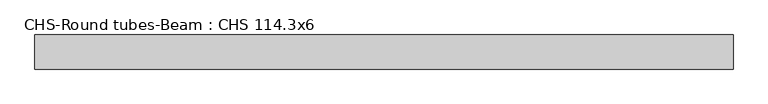
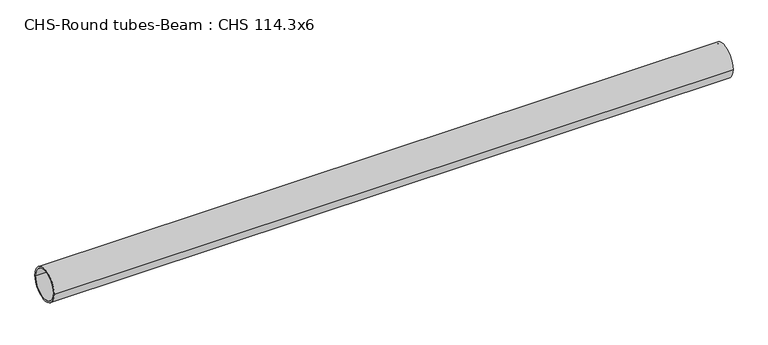
"""IFC4 building model written with IfcOpenShell, lengths in millimetres: beam geometry, CHS-Round tubes-Beam : CHS 114.3x6."""

from ifc_helpers import new_model, si_unit, point, frame, origin, origin_2d, place, context, project, spatial, circle_curve, trimmed, segment, composite_curve, outline, extrude, source, transform, mapped, element, save


def chs_round_tubes_beam_chs_114_3x6_fe255112(model_context):
    return source(origin(), model_context, "Body", "SweptSolid", [
        extrude(outline(composite_curve([segment(trimmed(circle_curve(origin_2d(), 57.15), [point((57.15, 0.0))], [point((-57.15, 0.0))], False, "CARTESIAN"), True, "CONTINUOUS"), segment(trimmed(circle_curve(origin_2d(), 57.15), [point((-57.15, 0.0))], [point((57.15, 0.0))], False, "CARTESIAN"), True, "CONTINUOUS")], self_intersect=False), holes=[composite_curve([segment(trimmed(circle_curve(origin_2d(), 51.15), [point((51.15, 0.0))], [point((-51.15, 0.0))], True, "CARTESIAN"), True, "CONTINUOUS"), segment(trimmed(circle_curve(origin_2d(), 51.15), [point((-51.15, 0.0))], [point((51.15, 0.0))], True, "CARTESIAN"), True, "CONTINUOUS")], self_intersect=False)]), frame((-1148.2532795, 0.0, 0.0), z_axis=(1.0, 0.0, 0.0), x_axis=(0.0, 1.0, 0.0)), (0.0, 0.0, 1.0), 2336.9351584),
    ])


if __name__ == "__main__":
    model = new_model("IFC4")
    model_context = context("Model", 3, world=origin())
    ifc_project = project(units=[si_unit("LENGTHUNIT", "METRE", prefix="MILLI")], contexts=[model_context])
    site = spatial("IfcSite", under=ifc_project)
    building = spatial("IfcBuilding", under=site)
    placement = place(None, origin())
    chs_round_tubes_beam_chs_114_3x6_shape = chs_round_tubes_beam_chs_114_3x6_fe255112(model_context)
    element("IfcBeam", 1, ObjectType="CHS-Round tubes-Beam : CHS 114.3x6", at=placement, inside=building, context=model_context, shape_type="MappedRepresentation", body=[
        mapped(chs_round_tubes_beam_chs_114_3x6_shape, transform((0.0, 0.0, 0.0), x_axis=(1.0, 0.0, 0.0), y_axis=(0.0, 1.0, 0.0), z_axis=(0.0, 0.0, 1.0))),
    ])
    save(model, "model.ifc")
